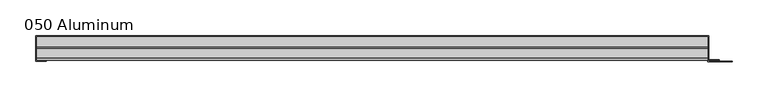
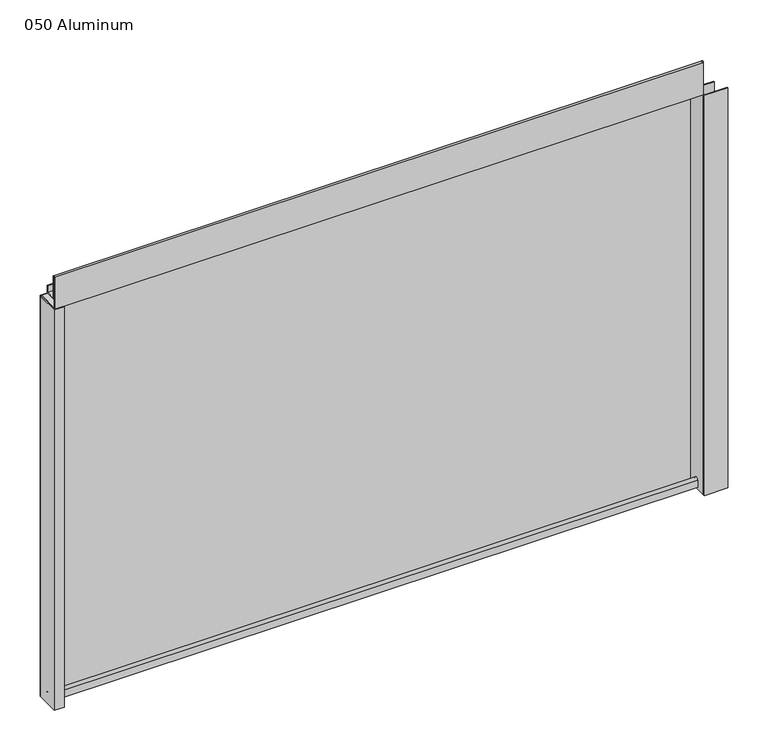
"""IFC4 building model written with IfcOpenShell, lengths in millimetres: plate geometry, 050 Aluminum."""

import ifcopenshell
import ifcopenshell.guid

model = None  # the IFC model being written
_history = None  # IfcOwnerHistory: only IFC2X3 demands one
_inside = {}  # id of a spatial element -> (the spatial element, [elements in it])
_under = {}  # id of a project, library or spatial element -> (it, [spatial elements below it])
_declared = {}  # id of a project -> (the project, [libraries it declares])
_typed = {}  # id of a type object -> (the type object, [elements of that type])
_made_of = {}  # id of a material, layer set ... -> (it, [elements and type objects made of it])


def new_model(schema):
    """Start an empty IFC model of exactly this schema.

    Asked for "IFC4X3", IfcOpenShell would pick the latest addendum, in which some entities
    have other attributes; the version numbers below select the first issue.
    IFC2X3 requires an IfcOwnerHistory on every rooted entity: one is made here for all.
    """
    global model, _history
    if schema == "IFC4X3":
        model = ifcopenshell.file(schema_version=(4, 3, 0, 0))
    else:
        model = ifcopenshell.file(schema=schema)
    _inside.clear()
    _under.clear()
    _declared.clear()
    _typed.clear()
    _made_of.clear()
    _history = None
    if model.schema == "IFC2X3":
        org = make("IfcOrganization", Name="unknown")
        user = make(
            "IfcPersonAndOrganization",
            ThePerson=make("IfcPerson", FamilyName="unknown"),
            TheOrganization=org,
        )
        app = make(
            "IfcApplication",
            ApplicationDeveloper=org,
            Version="unknown",
            ApplicationFullName="unknown",
            ApplicationIdentifier="unknown",
        )
        _history = make(
            "IfcOwnerHistory",
            OwningUser=user,
            OwningApplication=app,
            ChangeAction="ADDED",
            CreationDate=0,
        )
    return model


def make(cls, **values):
    """One entity of the class cls with the attributes given. An attribute that is None is left unset."""
    return model.create_entity(
        cls, **{name: value for name, value in values.items() if value is not None}
    )


def rooted(cls, **values):
    """An entity with a GlobalId (a new one), such as an element, a storey or a relation."""
    return make(cls, GlobalId=ifcopenshell.guid.new(), OwnerHistory=_history, **values)


def si_unit(unit_type, name, prefix=None):
    """IfcSIUnit, for example si_unit("LENGTHUNIT", "METRE", prefix="MILLI")."""
    return make("IfcSIUnit", UnitType=unit_type, Prefix=prefix, Name=name)


def assignment(units):
    """IfcUnitAssignment: the units of a project."""
    return None if units is None else make("IfcUnitAssignment", Units=units)


def point(xyz):
    """IfcCartesianPoint."""
    return None if xyz is None else make("IfcCartesianPoint", Coordinates=xyz)


def direction(xyz):
    """IfcDirection."""
    return None if xyz is None else make("IfcDirection", DirectionRatios=xyz)


def frame(location, z_axis=None, x_axis=None):
    """IfcAxis2Placement3D, a coordinate frame: its origin and axes. An axis left out is left unset."""
    return make(
        "IfcAxis2Placement3D",
        Location=point(location),
        Axis=direction(z_axis),
        RefDirection=direction(x_axis),
    )


def frame_2d(location, x_axis=None):
    """IfcAxis2Placement2D, a coordinate frame in the plane: its origin and x axis."""
    return make(
        "IfcAxis2Placement2D", Location=point(location), RefDirection=direction(x_axis)
    )


def origin():
    """The frame at (0, 0, 0) with its axes left unset."""
    return frame((0.0, 0.0, 0.0))


def origin_with_axes():
    """The frame at (0, 0, 0) with the z axis (0, 0, 1) and the x axis (1, 0, 0) written out."""
    return frame((0.0, 0.0, 0.0), z_axis=(0.0, 0.0, 1.0), x_axis=(1.0, 0.0, 0.0))


def place(relative_to, where):
    """IfcLocalPlacement: puts the frame where relative to a parent placement (None: the world)."""
    return make(
        "IfcLocalPlacement", PlacementRelTo=relative_to, RelativePlacement=where
    )


def context(
    kind, dimensions, precision=None, world=None, true_north=None, identifier=None
):
    """IfcGeometricRepresentationContext, for example the 3D "Model" context."""
    return make(
        "IfcGeometricRepresentationContext",
        ContextIdentifier=identifier,
        ContextType=kind,
        CoordinateSpaceDimension=dimensions,
        Precision=precision,
        WorldCoordinateSystem=world,
        TrueNorth=true_north,
    )


def project(units=None, contexts=None):
    """IfcProject with its units and contexts."""
    return rooted(
        "IfcProject",
        Name="project",
        RepresentationContexts=contexts,
        UnitsInContext=assignment(units),
    )


def spatial(cls, under=None, at=None, **own):
    """A site, building, storey or space (cls), placed at a placement, below another one or the project."""
    s = rooted(cls, ObjectPlacement=at, **own)
    if under is not None:
        _under.setdefault(under.id(), (under, []))[1].append(s)
    return s


def polyline(points):
    """IfcPolyline through the points."""
    return make("IfcPolyline", Points=[point(p) for p in points])


def circle_curve(where, radius):
    """IfcCircle in the frame where."""
    return make("IfcCircle", Position=where, Radius=radius)


def trimmed(basis, trim1, trim2, sense, master):
    """IfcTrimmedCurve: the piece of a basis curve between two trims."""
    return make(
        "IfcTrimmedCurve",
        BasisCurve=basis,
        Trim1=trim1,
        Trim2=trim2,
        SenseAgreement=sense,
        MasterRepresentation=master,
    )


def segment(curve, same_sense, transition):
    """IfcCompositeCurveSegment."""
    return make(
        "IfcCompositeCurveSegment",
        Transition=transition,
        SameSense=same_sense,
        ParentCurve=curve,
    )


def composite_curve(segments, self_intersect=None):
    """IfcCompositeCurve: segments joined end to end."""
    return make("IfcCompositeCurve", Segments=segments, SelfIntersect=self_intersect)


def outline(outer, holes=None, kind="AREA"):
    """IfcArbitraryClosedProfileDef: a profile drawn as a closed curve; with holes, ...WithVoids."""
    if holes is None:
        return make("IfcArbitraryClosedProfileDef", ProfileType=kind, OuterCurve=outer)
    return make(
        "IfcArbitraryProfileDefWithVoids",
        ProfileType=kind,
        OuterCurve=outer,
        InnerCurves=holes,
    )


def extrude(swept, where, along, depth):
    """IfcExtrudedAreaSolid: the profile swept, set in the frame where, extruded along a direction by depth."""
    return make(
        "IfcExtrudedAreaSolid",
        SweptArea=swept,
        Position=where,
        ExtrudedDirection=direction(along),
        Depth=depth,
    )


def shape(context_of_items, identifier, shape_type, items):
    """IfcShapeRepresentation: the items that make up one representation, for example the "Body"."""
    return make(
        "IfcShapeRepresentation",
        ContextOfItems=context_of_items,
        RepresentationIdentifier=identifier,
        RepresentationType=shape_type,
        Items=items,
    )


def source(mapping_origin, context_of_items, identifier, shape_type, items):
    """IfcRepresentationMap: a shape defined once, which mapped items show again and again."""
    return make(
        "IfcRepresentationMap",
        MappingOrigin=mapping_origin,
        MappedRepresentation=shape(context_of_items, identifier, shape_type, items),
    )


def transform(
    local_origin,
    x_axis=None,
    y_axis=None,
    z_axis=None,
    scale=None,
    scale2=None,
    scale3=None,
    uniform=True,
):
    """IfcCartesianTransformationOperator3D, or its non-uniform kind. x_axis, y_axis, z_axis: its Axis1, 2, 3."""
    if uniform:
        return make(
            "IfcCartesianTransformationOperator3D",
            Axis1=direction(x_axis),
            Axis2=direction(y_axis),
            LocalOrigin=point(local_origin),
            Scale=scale,
            Axis3=direction(z_axis),
        )
    return make(
        "IfcCartesianTransformationOperator3DnonUniform",
        Axis1=direction(x_axis),
        Axis2=direction(y_axis),
        LocalOrigin=point(local_origin),
        Scale=scale,
        Axis3=direction(z_axis),
        Scale2=scale2,
        Scale3=scale3,
    )


def mapped(mapping_source, mapping_target):
    """IfcMappedItem: shows the shape of a source again, moved by a transform."""
    return make(
        "IfcMappedItem", MappingSource=mapping_source, MappingTarget=mapping_target
    )


def made_of(thing, what):
    """Note that an element or type object is made of a material, layer set ...; save() writes the relation."""
    if what is not None:
        _made_of.setdefault(what.id(), (what, []))[1].append(thing)
    return thing


def element(
    cls,
    number,
    at=None,
    inside=None,
    cuts=None,
    type_object=None,
    material=None,
    context=None,
    identifier="Body",
    shape_type=None,
    held_by="IfcProductDefinitionShape",
    body=None,
    shapes=None,
    **own,
):
    """One element of the class cls, such as IfcWall. Its Tag is "e" and its number.

    at: its placement. inside: the storey or other place that contains it. cuts: it is an
    opening in that element (IfcRelVoidsElement). A single representation is given by context,
    identifier, shape_type and body (its items); several are given by shapes. held_by: the class
    of the entity that holds the representations. save() writes the other relations.
    """
    e = rooted(cls, Tag="e%d" % number, ObjectPlacement=at, **own)
    if body is not None:
        shapes = [shape(context, identifier, shape_type, body)]
    if shapes is not None:
        e.Representation = make(held_by, Representations=shapes)
    if inside is not None:
        _inside.setdefault(inside.id(), (inside, []))[1].append(e)
    if cuts is not None:
        rooted(
            "IfcRelVoidsElement", RelatingBuildingElement=cuts, RelatedOpeningElement=e
        )
    if type_object is not None:
        _typed.setdefault(type_object.id(), (type_object, []))[1].append(e)
    return made_of(e, material)


def aggregate(whole, parts):
    """IfcRelAggregates: a whole, such as a stair, and the parts it consists of."""
    return rooted("IfcRelAggregates", RelatingObject=whole, RelatedObjects=parts)


def save(model, path):
    """Write the relations noted so far, then the file.

    IfcRelAggregates (storeys below a building ...), IfcRelContainedInSpatialStructure (elements
    in a storey), IfcRelDefinesByType, IfcRelAssociatesMaterial and IfcRelDeclares: one each for
    every whole, place, type object, material and project.
    """
    for whole, parts in _under.values():
        aggregate(whole, parts)
    for where, things in _inside.values():
        rooted(
            "IfcRelContainedInSpatialStructure",
            RelatedElements=things,
            RelatingStructure=where,
        )
    for kind, things in _typed.values():
        rooted("IfcRelDefinesByType", RelatedObjects=things, RelatingType=kind)
    for what, things in _made_of.values():
        rooted("IfcRelAssociatesMaterial", RelatedObjects=things, RelatingMaterial=what)
    for by, libraries in _declared.values():
        rooted("IfcRelDeclares", RelatingContext=by, RelatedDefinitions=libraries)
    model.write(path)


def plate_050_aluminum_68e5e536(model_context):
    return source(origin(), model_context, "Body", "SweptSolid", [
        extrude(outline(polyline([(-472.5875079, 2.5660257), (-459.6970074, 2.5660257), (-459.6970074, 1.2699999), (-473.8575079, 1.2699999), (-473.8575079, 34.7980001), (-472.5875079, 34.7980001), (-472.5875079, 2.5660257)])), origin_with_axes(), (0.0, 0.0, 1.0), 608.33),
        extrude(outline(composite_curve([segment(trimmed(circle_curve(frame_2d((19.8514743, 13.124237)), 3.175), [point((16.6765477, 13.1458337))], [point((23.0264743, 13.124237))], False, "CARTESIAN"), True, "CONTINUOUS"), segment(polyline([(23.0264743, 13.124237), (23.0264743, 1.2693678), (34.7980002, 1.2693678), (34.7980002, 0.0), (21.7564743, 0.0), (21.7564743, 13.124237)]), True, "CONTINUOUS"), segment(trimmed(circle_curve(frame_2d((19.8514743, 13.124237)), 1.905), [point((21.7564743, 13.124237))], [point((17.9464915, 13.1323356))], True, "CARTESIAN"), True, "CONTINUOUS"), segment(polyline([(17.9464915, 13.1323356), (17.9464915, 2.786437), (16.6765477, 2.786437), (16.6765477, 13.1458337)]), True, "CONTINUOUS")], self_intersect=False)), frame((-472.5875079, 0.0, 0.0), z_axis=(1.0, 0.0, 0.0), x_axis=(0.0, 1.0, 0.0)), (0.0, 0.0, 1.0), 932.4750159),
        extrude(outline(composite_curve([segment(trimmed(circle_curve(frame_2d((3.7084742, 656.7932001)), 1.6509999), [point((2.0574743, 656.7932001))], [point((5.3594742, 656.7932001))], False, "CARTESIAN"), True, "CONTINUOUS"), segment(polyline([(5.3594742, 656.7932001), (5.3594742, 623.57), (19.2164743, 623.57), (19.2164743, 633.6538), (20.4864742, 633.6538), (20.4864742, 622.3), (4.0894742, 622.3), (4.0894742, 656.7932001)]), True, "CONTINUOUS"), segment(trimmed(circle_curve(frame_2d((3.7084742, 656.7932001)), 0.3809999), [point((4.0894742, 656.7932001))], [point((3.3274743, 656.7932001))], True, "CARTESIAN"), True, "CONTINUOUS"), segment(polyline([(3.3274743, 656.7932001), (3.3274743, 609.6000001), (34.7980002, 609.6000001), (34.7980002, 608.33), (2.0574743, 608.33), (2.0574743, 656.7932001)]), True, "CONTINUOUS")], self_intersect=False)), frame((-472.5875079, 0.0, 0.0), z_axis=(1.0, 0.0, 0.0), x_axis=(0.0, 1.0, 0.0)), (0.0, 0.0, 1.0), 932.4750159),
        extrude(outline(polyline([(-473.8575079, 36.068), (461.1575079, 36.068), (461.1575079, 34.7980001), (-473.8575079, 34.7980001), (-473.8575079, 36.068)])), origin_with_axes(), (0.0, 0.0, 1.0), 609.6),
        extrude(outline(polyline([(461.1575079, 1.2699999), (493.6695936, 1.2699999), (493.6695936, 0.0), (459.887508, 0.0), (459.887508, 34.7980002), (461.1575079, 34.7980002), (461.1575079, 1.2699999)])), origin_with_axes(), (0.0, 0.0, 1.0), 608.33),
        extrude(outline(polyline([(459.8875079, 3.3274743), (475.6355078, 3.3274743), (475.6355078, 2.0574743), (459.8875079, 2.0574743), (459.8875079, 3.3274743)])), origin_with_axes(), (0.0, 0.0, 1.0), 622.3),
    ])


if __name__ == "__main__":
    model = new_model("IFC4")
    model_context = context("Model", 3, world=origin())
    ifc_project = project(units=[si_unit("LENGTHUNIT", "METRE", prefix="MILLI")], contexts=[model_context])
    site = spatial("IfcSite", under=ifc_project)
    building = spatial("IfcBuilding", under=site)
    placement = place(None, origin())
    plate_050_aluminum_shape = plate_050_aluminum_68e5e536(model_context)
    element("IfcPlate", 1, ObjectType="050 Aluminum", at=placement, inside=building, context=model_context, shape_type="MappedRepresentation", body=[
        mapped(plate_050_aluminum_shape, transform((0.0, 0.0, 0.0), x_axis=(1.0, 0.0, 0.0), y_axis=(0.0, 1.0, 0.0), z_axis=(0.0, 0.0, 1.0))),
    ])
    save(model, "model.ifc")
